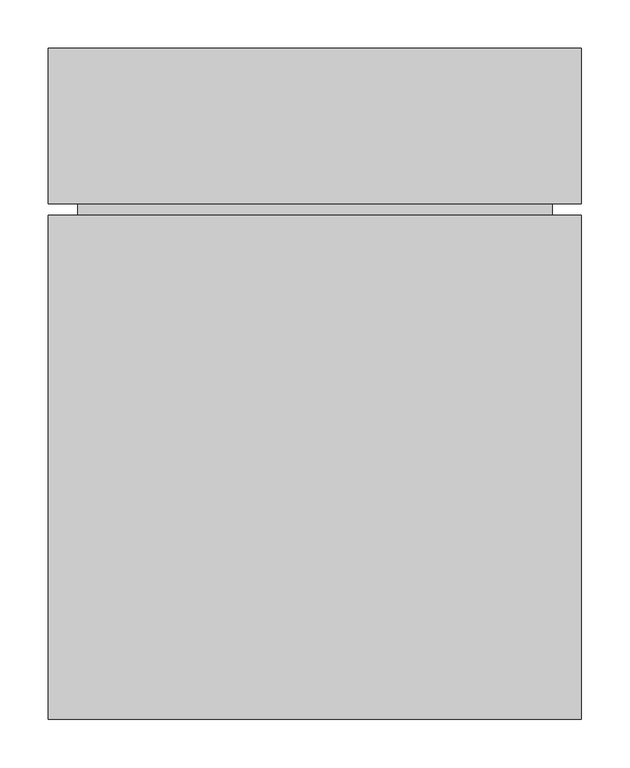
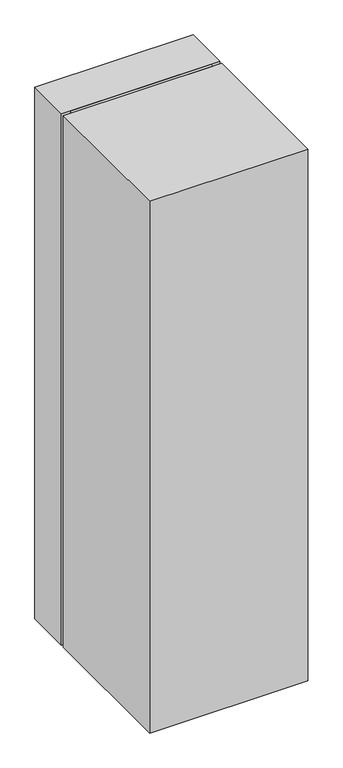
"""IFC4 building model written with IfcOpenShell, lengths in millimetres: proxy geometry."""

from ifc_helpers import new_model, si_unit, origin, origin_with_axes, place, context, project, spatial, polyline, outline, extrude, source, transform, mapped, element, save


def specialty_equipment_6e431f2c(model_context):
    return source(origin(), model_context, "Body", "SweptSolid", [
        extrude(outline(polyline([(275.0, 432.1), (275.0, 272.1), (-275.0, 272.1), (-275.0, 432.1), (275.0, 432.1)])), origin_with_axes(), (0.0, 0.0, 1.0), 1955.0),
        extrude(outline(polyline([(244.7755311, 260.0), (-244.5481133, 260.0), (-244.5481133, 272.1), (244.7755311, 272.1), (244.7755311, 260.0)])), origin_with_axes(), (0.0, 0.0, 1.0), 1954.0),
        extrude(outline(polyline([(275.0, 260.0), (275.0, -260.0), (-275.0, -260.0), (-275.0, 260.0), (275.0, 260.0)])), origin_with_axes(), (0.0, 0.0, 1.0), 1955.0),
    ])


if __name__ == "__main__":
    model = new_model("IFC4")
    model_context = context("Model", 3, world=origin())
    ifc_project = project(units=[si_unit("LENGTHUNIT", "METRE", prefix="MILLI")], contexts=[model_context])
    site = spatial("IfcSite", under=ifc_project)
    building = spatial("IfcBuilding", under=site)
    placement = place(None, origin())
    specialty_equipment_shape = specialty_equipment_6e431f2c(model_context)
    element("IfcBuildingElementProxy", 1, Name="Specialty Equipment", at=placement, inside=building, context=model_context, shape_type="MappedRepresentation", body=[
        mapped(specialty_equipment_shape, transform((0.0, 0.0, 0.0), x_axis=(1.0, 0.0, 0.0), y_axis=(0.0, 1.0, 0.0), z_axis=(0.0, 0.0, 1.0))),
    ])
    save(model, "model.ifc")
